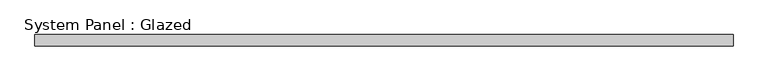
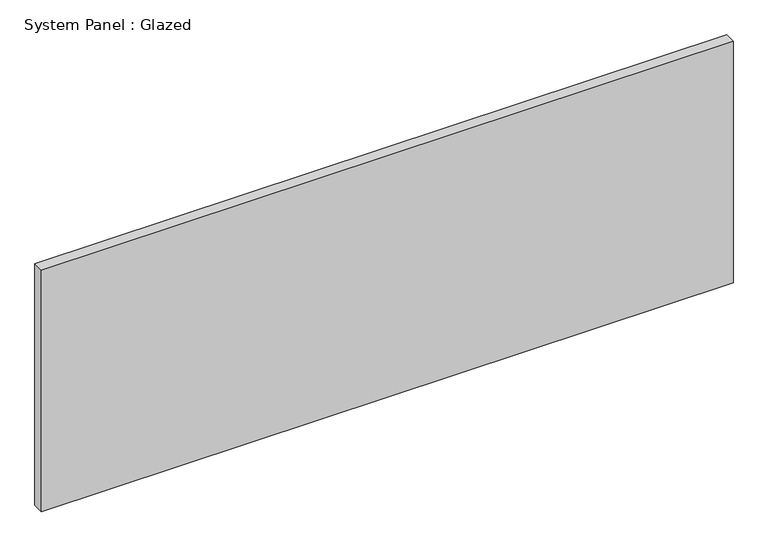
"""IFC4 building model written with IfcOpenShell, lengths in millimetres: plate geometry, System Panel : Glazed."""

from ifc_helpers import new_model, si_unit, origin, origin_with_axes, place, context, project, spatial, polyline, outline, extrude, source, transform, mapped, element, save


def system_panel_glazed_987ff455(model_context):
    return source(origin(), model_context, "Body", "SweptSolid", [
        extrude(outline(polyline([(769.0628487, 24.5), (-769.0628487, 24.5), (-769.0628487, 49.5), (769.0628487, 49.5), (769.0628487, 24.5)])), origin_with_axes(), (0.0, 0.0, 1.0), 567.0666667),
    ])


if __name__ == "__main__":
    model = new_model("IFC4")
    model_context = context("Model", 3, world=origin())
    ifc_project = project(units=[si_unit("LENGTHUNIT", "METRE", prefix="MILLI")], contexts=[model_context])
    site = spatial("IfcSite", under=ifc_project)
    building = spatial("IfcBuilding", under=site)
    placement = place(None, origin())
    system_panel_glazed_shape = system_panel_glazed_987ff455(model_context)
    element("IfcPlate", 1, ObjectType="System Panel : Glazed", at=placement, inside=building, context=model_context, shape_type="MappedRepresentation", body=[
        mapped(system_panel_glazed_shape, transform((0.0, 0.0, 0.0), x_axis=(1.0, 0.0, 0.0), y_axis=(0.0, 1.0, 0.0), z_axis=(0.0, 0.0, 1.0))),
    ])
    save(model, "model.ifc")
